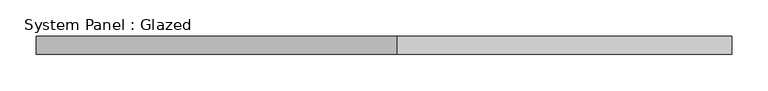
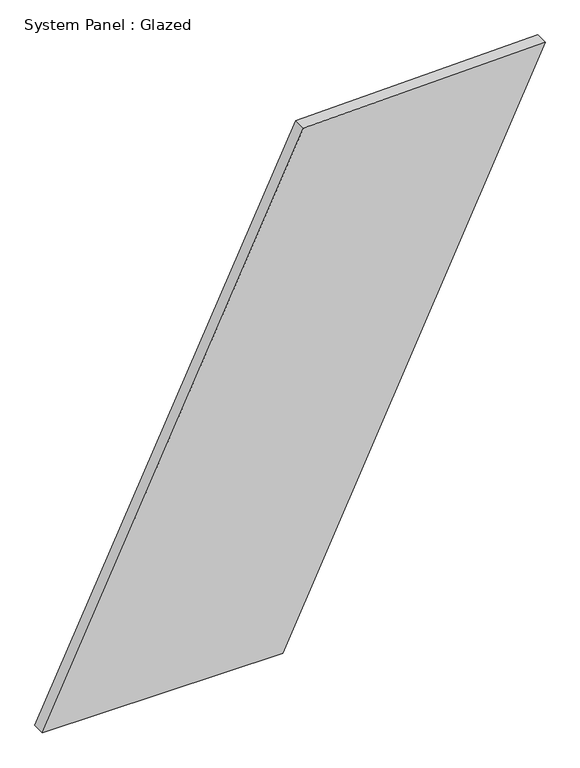
"""IFC4 building model written with IfcOpenShell, lengths in millimetres: plate geometry, System Panel : Glazed."""

from ifc_helpers import new_model, si_unit, frame, origin, place, context, project, spatial, polyline, outline, extrude, source, transform, mapped, element, save


def system_panel_glazed_930082a8(model_context):
    return source(origin(), model_context, "Body", "SweptSolid", [
        extrude(outline(polyline([(0.0, -480.3612675), (0.0, -21.0802698), (1059.4023051, 480.3612675), (1048.1260911, 18.322115), (0.0, -480.3612675)])), frame((0.0, -49.5, 0.0), z_axis=(0.0, 1.0, 0.0), x_axis=(0.0, 0.0, 1.0)), (0.0, 0.0, 1.0), 25.0),
    ])


if __name__ == "__main__":
    model = new_model("IFC4")
    model_context = context("Model", 3, world=origin())
    ifc_project = project(units=[si_unit("LENGTHUNIT", "METRE", prefix="MILLI")], contexts=[model_context])
    site = spatial("IfcSite", under=ifc_project)
    building = spatial("IfcBuilding", under=site)
    placement = place(None, origin())
    system_panel_glazed_shape = system_panel_glazed_930082a8(model_context)
    element("IfcPlate", 1, ObjectType="System Panel : Glazed", at=placement, inside=building, context=model_context, shape_type="MappedRepresentation", body=[
        mapped(system_panel_glazed_shape, transform((0.0, 0.0, 0.0), x_axis=(1.0, 0.0, 0.0), y_axis=(0.0, 1.0, 0.0), z_axis=(0.0, 0.0, 1.0))),
    ])
    save(model, "model.ifc")
